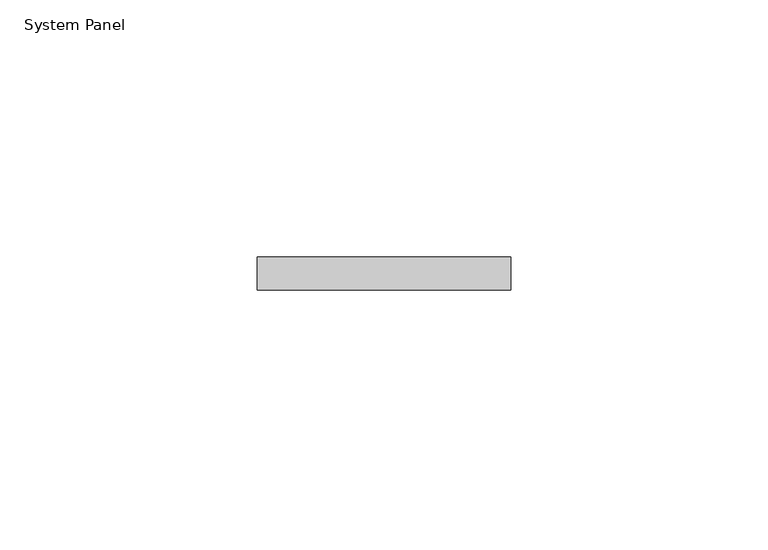
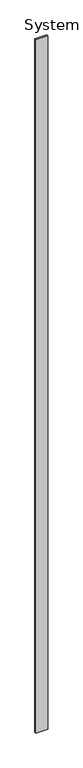
"""IFC4 building model written with IfcOpenShell, lengths in millimetres: plate geometry, System Panel."""

from ifc_helpers import new_model, si_unit, origin, origin_with_axes, place, context, project, spatial, polyline, outline, extrude, source, transform, mapped, element, save


def system_panel_3fae63c3(model_context):
    return source(origin(), model_context, "Body", "SweptSolid", [
        extrude(outline(polyline([(24.5996354, -6.35), (-24.5996354, -6.35), (-24.5996354, 0.0), (24.5996354, 0.0), (24.5996354, -6.35)])), origin_with_axes(), (0.0, 0.0, 1.0), 3048.0),
    ])


if __name__ == "__main__":
    model = new_model("IFC4")
    model_context = context("Model", 3, world=origin())
    ifc_project = project(units=[si_unit("LENGTHUNIT", "METRE", prefix="MILLI")], contexts=[model_context])
    site = spatial("IfcSite", under=ifc_project)
    building = spatial("IfcBuilding", under=site)
    placement = place(None, origin())
    system_panel_shape = system_panel_3fae63c3(model_context)
    element("IfcPlate", 1, ObjectType="System Panel", at=placement, inside=building, context=model_context, shape_type="MappedRepresentation", body=[
        mapped(system_panel_shape, transform((0.0, 0.0, 0.0), x_axis=(1.0, 0.0, 0.0), y_axis=(0.0, 1.0, 0.0), z_axis=(0.0, 0.0, 1.0))),
    ])
    save(model, "model.ifc")
